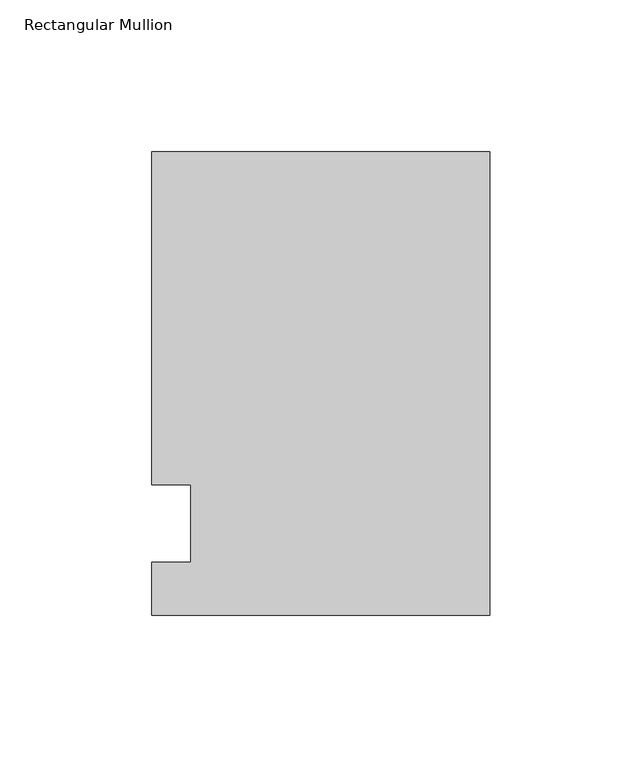
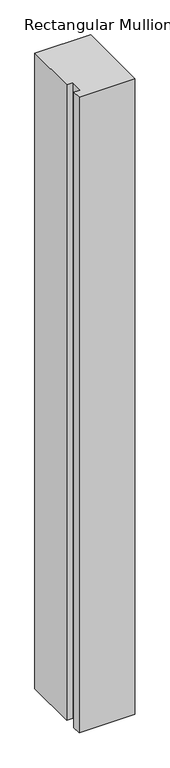
"""IFC4 building model written with IfcOpenShell, lengths in millimetres: member geometry, Rectangular Mullion."""

import ifcopenshell
import ifcopenshell.guid

model = None  # the IFC model being written
_history = None  # IfcOwnerHistory: only IFC2X3 demands one
_inside = {}  # id of a spatial element -> (the spatial element, [elements in it])
_under = {}  # id of a project, library or spatial element -> (it, [spatial elements below it])
_declared = {}  # id of a project -> (the project, [libraries it declares])
_typed = {}  # id of a type object -> (the type object, [elements of that type])
_made_of = {}  # id of a material, layer set ... -> (it, [elements and type objects made of it])


def new_model(schema):
    """Start an empty IFC model of exactly this schema.

    Asked for "IFC4X3", IfcOpenShell would pick the latest addendum, in which some entities
    have other attributes; the version numbers below select the first issue.
    IFC2X3 requires an IfcOwnerHistory on every rooted entity: one is made here for all.
    """
    global model, _history
    if schema == "IFC4X3":
        model = ifcopenshell.file(schema_version=(4, 3, 0, 0))
    else:
        model = ifcopenshell.file(schema=schema)
    _inside.clear()
    _under.clear()
    _declared.clear()
    _typed.clear()
    _made_of.clear()
    _history = None
    if model.schema == "IFC2X3":
        org = make("IfcOrganization", Name="unknown")
        user = make(
            "IfcPersonAndOrganization",
            ThePerson=make("IfcPerson", FamilyName="unknown"),
            TheOrganization=org,
        )
        app = make(
            "IfcApplication",
            ApplicationDeveloper=org,
            Version="unknown",
            ApplicationFullName="unknown",
            ApplicationIdentifier="unknown",
        )
        _history = make(
            "IfcOwnerHistory",
            OwningUser=user,
            OwningApplication=app,
            ChangeAction="ADDED",
            CreationDate=0,
        )
    return model


def make(cls, **values):
    """One entity of the class cls with the attributes given. An attribute that is None is left unset."""
    return model.create_entity(
        cls, **{name: value for name, value in values.items() if value is not None}
    )


def rooted(cls, **values):
    """An entity with a GlobalId (a new one), such as an element, a storey or a relation."""
    return make(cls, GlobalId=ifcopenshell.guid.new(), OwnerHistory=_history, **values)


def si_unit(unit_type, name, prefix=None):
    """IfcSIUnit, for example si_unit("LENGTHUNIT", "METRE", prefix="MILLI")."""
    return make("IfcSIUnit", UnitType=unit_type, Prefix=prefix, Name=name)


def assignment(units):
    """IfcUnitAssignment: the units of a project."""
    return None if units is None else make("IfcUnitAssignment", Units=units)


def point(xyz):
    """IfcCartesianPoint."""
    return None if xyz is None else make("IfcCartesianPoint", Coordinates=xyz)


def direction(xyz):
    """IfcDirection."""
    return None if xyz is None else make("IfcDirection", DirectionRatios=xyz)


def frame(location, z_axis=None, x_axis=None):
    """IfcAxis2Placement3D, a coordinate frame: its origin and axes. An axis left out is left unset."""
    return make(
        "IfcAxis2Placement3D",
        Location=point(location),
        Axis=direction(z_axis),
        RefDirection=direction(x_axis),
    )


def origin():
    """The frame at (0, 0, 0) with its axes left unset."""
    return frame((0.0, 0.0, 0.0))


def place(relative_to, where):
    """IfcLocalPlacement: puts the frame where relative to a parent placement (None: the world)."""
    return make(
        "IfcLocalPlacement", PlacementRelTo=relative_to, RelativePlacement=where
    )


def context(
    kind, dimensions, precision=None, world=None, true_north=None, identifier=None
):
    """IfcGeometricRepresentationContext, for example the 3D "Model" context."""
    return make(
        "IfcGeometricRepresentationContext",
        ContextIdentifier=identifier,
        ContextType=kind,
        CoordinateSpaceDimension=dimensions,
        Precision=precision,
        WorldCoordinateSystem=world,
        TrueNorth=true_north,
    )


def project(units=None, contexts=None):
    """IfcProject with its units and contexts."""
    return rooted(
        "IfcProject",
        Name="project",
        RepresentationContexts=contexts,
        UnitsInContext=assignment(units),
    )


def spatial(cls, under=None, at=None, **own):
    """A site, building, storey or space (cls), placed at a placement, below another one or the project."""
    s = rooted(cls, ObjectPlacement=at, **own)
    if under is not None:
        _under.setdefault(under.id(), (under, []))[1].append(s)
    return s


def polyline(points):
    """IfcPolyline through the points."""
    return make("IfcPolyline", Points=[point(p) for p in points])


def outline(outer, holes=None, kind="AREA"):
    """IfcArbitraryClosedProfileDef: a profile drawn as a closed curve; with holes, ...WithVoids."""
    if holes is None:
        return make("IfcArbitraryClosedProfileDef", ProfileType=kind, OuterCurve=outer)
    return make(
        "IfcArbitraryProfileDefWithVoids",
        ProfileType=kind,
        OuterCurve=outer,
        InnerCurves=holes,
    )


def extrude(swept, where, along, depth):
    """IfcExtrudedAreaSolid: the profile swept, set in the frame where, extruded along a direction by depth."""
    return make(
        "IfcExtrudedAreaSolid",
        SweptArea=swept,
        Position=where,
        ExtrudedDirection=direction(along),
        Depth=depth,
    )


def shape(context_of_items, identifier, shape_type, items):
    """IfcShapeRepresentation: the items that make up one representation, for example the "Body"."""
    return make(
        "IfcShapeRepresentation",
        ContextOfItems=context_of_items,
        RepresentationIdentifier=identifier,
        RepresentationType=shape_type,
        Items=items,
    )


def source(mapping_origin, context_of_items, identifier, shape_type, items):
    """IfcRepresentationMap: a shape defined once, which mapped items show again and again."""
    return make(
        "IfcRepresentationMap",
        MappingOrigin=mapping_origin,
        MappedRepresentation=shape(context_of_items, identifier, shape_type, items),
    )


def transform(
    local_origin,
    x_axis=None,
    y_axis=None,
    z_axis=None,
    scale=None,
    scale2=None,
    scale3=None,
    uniform=True,
):
    """IfcCartesianTransformationOperator3D, or its non-uniform kind. x_axis, y_axis, z_axis: its Axis1, 2, 3."""
    if uniform:
        return make(
            "IfcCartesianTransformationOperator3D",
            Axis1=direction(x_axis),
            Axis2=direction(y_axis),
            LocalOrigin=point(local_origin),
            Scale=scale,
            Axis3=direction(z_axis),
        )
    return make(
        "IfcCartesianTransformationOperator3DnonUniform",
        Axis1=direction(x_axis),
        Axis2=direction(y_axis),
        LocalOrigin=point(local_origin),
        Scale=scale,
        Axis3=direction(z_axis),
        Scale2=scale2,
        Scale3=scale3,
    )


def mapped(mapping_source, mapping_target):
    """IfcMappedItem: shows the shape of a source again, moved by a transform."""
    return make(
        "IfcMappedItem", MappingSource=mapping_source, MappingTarget=mapping_target
    )


def made_of(thing, what):
    """Note that an element or type object is made of a material, layer set ...; save() writes the relation."""
    if what is not None:
        _made_of.setdefault(what.id(), (what, []))[1].append(thing)
    return thing


def element(
    cls,
    number,
    at=None,
    inside=None,
    cuts=None,
    type_object=None,
    material=None,
    context=None,
    identifier="Body",
    shape_type=None,
    held_by="IfcProductDefinitionShape",
    body=None,
    shapes=None,
    **own,
):
    """One element of the class cls, such as IfcWall. Its Tag is "e" and its number.

    at: its placement. inside: the storey or other place that contains it. cuts: it is an
    opening in that element (IfcRelVoidsElement). A single representation is given by context,
    identifier, shape_type and body (its items); several are given by shapes. held_by: the class
    of the entity that holds the representations. save() writes the other relations.
    """
    e = rooted(cls, Tag="e%d" % number, ObjectPlacement=at, **own)
    if body is not None:
        shapes = [shape(context, identifier, shape_type, body)]
    if shapes is not None:
        e.Representation = make(held_by, Representations=shapes)
    if inside is not None:
        _inside.setdefault(inside.id(), (inside, []))[1].append(e)
    if cuts is not None:
        rooted(
            "IfcRelVoidsElement", RelatingBuildingElement=cuts, RelatedOpeningElement=e
        )
    if type_object is not None:
        _typed.setdefault(type_object.id(), (type_object, []))[1].append(e)
    return made_of(e, material)


def aggregate(whole, parts):
    """IfcRelAggregates: a whole, such as a stair, and the parts it consists of."""
    return rooted("IfcRelAggregates", RelatingObject=whole, RelatedObjects=parts)


def save(model, path):
    """Write the relations noted so far, then the file.

    IfcRelAggregates (storeys below a building ...), IfcRelContainedInSpatialStructure (elements
    in a storey), IfcRelDefinesByType, IfcRelAssociatesMaterial and IfcRelDeclares: one each for
    every whole, place, type object, material and project.
    """
    for whole, parts in _under.values():
        aggregate(whole, parts)
    for where, things in _inside.values():
        rooted(
            "IfcRelContainedInSpatialStructure",
            RelatedElements=things,
            RelatingStructure=where,
        )
    for kind, things in _typed.values():
        rooted("IfcRelDefinesByType", RelatedObjects=things, RelatingType=kind)
    for what, things in _made_of.values():
        rooted("IfcRelAssociatesMaterial", RelatedObjects=things, RelatingMaterial=what)
    for by, libraries in _declared.values():
        rooted("IfcRelDeclares", RelatingContext=by, RelatedDefinitions=libraries)
    model.write(path)


def rectangular_mullion_36794c7a(model_context):
    return source(origin(), model_context, "Body", "SweptSolid", [
        extrude(outline(polyline([(-111.125, 122.2375), (0.0, 122.2375), (0.0, -30.1625), (-111.125, -30.1625), (-111.125, -12.7), (-98.4232296, -12.7), (-98.4232296, 12.7), (-111.125, 12.7), (-111.125, 122.2375)])), frame((0.0, 0.0, -1340.807264), z_axis=(0.0, 0.0, 1.0), x_axis=(1.0, 0.0, 0.0)), (0.0, 0.0, 1.0), 1340.807264),
    ])


if __name__ == "__main__":
    model = new_model("IFC4")
    model_context = context("Model", 3, world=origin())
    ifc_project = project(units=[si_unit("LENGTHUNIT", "METRE", prefix="MILLI")], contexts=[model_context])
    site = spatial("IfcSite", under=ifc_project)
    building = spatial("IfcBuilding", under=site)
    placement = place(None, origin())
    rectangular_mullion_shape = rectangular_mullion_36794c7a(model_context)
    element("IfcMember", 1, ObjectType="Rectangular Mullion", at=placement, inside=building, context=model_context, shape_type="MappedRepresentation", body=[
        mapped(rectangular_mullion_shape, transform((0.0, 0.0, 0.0), x_axis=(1.0, 0.0, 0.0), y_axis=(0.0, 1.0, 0.0), z_axis=(0.0, 0.0, 1.0))),
    ])
    save(model, "model.ifc")
